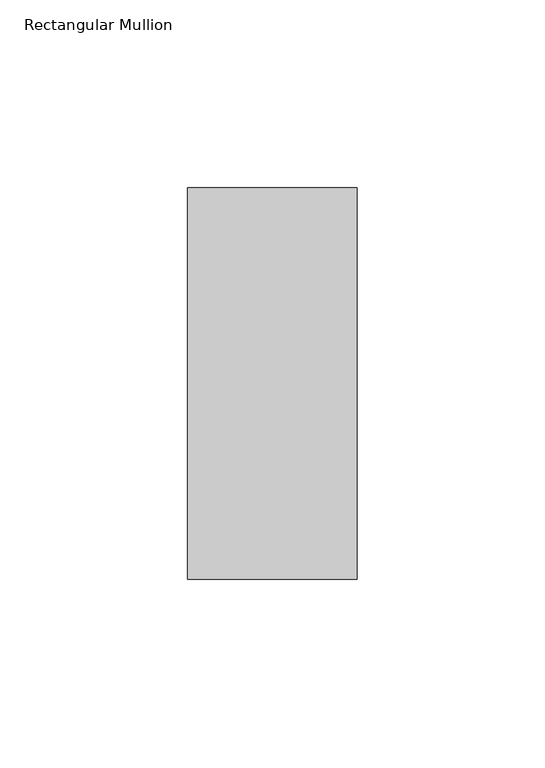
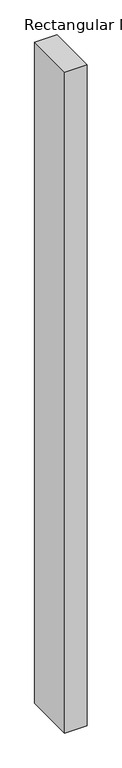
"""IFC4 building model written with IfcOpenShell, lengths in millimetres: member geometry, Rectangular Mullion."""

import ifcopenshell
import ifcopenshell.guid

model = None  # the IFC model being written
_history = None  # IfcOwnerHistory: only IFC2X3 demands one
_inside = {}  # id of a spatial element -> (the spatial element, [elements in it])
_under = {}  # id of a project, library or spatial element -> (it, [spatial elements below it])
_declared = {}  # id of a project -> (the project, [libraries it declares])
_typed = {}  # id of a type object -> (the type object, [elements of that type])
_made_of = {}  # id of a material, layer set ... -> (it, [elements and type objects made of it])


def new_model(schema):
    """Start an empty IFC model of exactly this schema.

    Asked for "IFC4X3", IfcOpenShell would pick the latest addendum, in which some entities
    have other attributes; the version numbers below select the first issue.
    IFC2X3 requires an IfcOwnerHistory on every rooted entity: one is made here for all.
    """
    global model, _history
    if schema == "IFC4X3":
        model = ifcopenshell.file(schema_version=(4, 3, 0, 0))
    else:
        model = ifcopenshell.file(schema=schema)
    _inside.clear()
    _under.clear()
    _declared.clear()
    _typed.clear()
    _made_of.clear()
    _history = None
    if model.schema == "IFC2X3":
        org = make("IfcOrganization", Name="unknown")
        user = make(
            "IfcPersonAndOrganization",
            ThePerson=make("IfcPerson", FamilyName="unknown"),
            TheOrganization=org,
        )
        app = make(
            "IfcApplication",
            ApplicationDeveloper=org,
            Version="unknown",
            ApplicationFullName="unknown",
            ApplicationIdentifier="unknown",
        )
        _history = make(
            "IfcOwnerHistory",
            OwningUser=user,
            OwningApplication=app,
            ChangeAction="ADDED",
            CreationDate=0,
        )
    return model


def make(cls, **values):
    """One entity of the class cls with the attributes given. An attribute that is None is left unset."""
    return model.create_entity(
        cls, **{name: value for name, value in values.items() if value is not None}
    )


def rooted(cls, **values):
    """An entity with a GlobalId (a new one), such as an element, a storey or a relation."""
    return make(cls, GlobalId=ifcopenshell.guid.new(), OwnerHistory=_history, **values)


def si_unit(unit_type, name, prefix=None):
    """IfcSIUnit, for example si_unit("LENGTHUNIT", "METRE", prefix="MILLI")."""
    return make("IfcSIUnit", UnitType=unit_type, Prefix=prefix, Name=name)


def assignment(units):
    """IfcUnitAssignment: the units of a project."""
    return None if units is None else make("IfcUnitAssignment", Units=units)


def point(xyz):
    """IfcCartesianPoint."""
    return None if xyz is None else make("IfcCartesianPoint", Coordinates=xyz)


def direction(xyz):
    """IfcDirection."""
    return None if xyz is None else make("IfcDirection", DirectionRatios=xyz)


def frame(location, z_axis=None, x_axis=None):
    """IfcAxis2Placement3D, a coordinate frame: its origin and axes. An axis left out is left unset."""
    return make(
        "IfcAxis2Placement3D",
        Location=point(location),
        Axis=direction(z_axis),
        RefDirection=direction(x_axis),
    )


def origin():
    """The frame at (0, 0, 0) with its axes left unset."""
    return frame((0.0, 0.0, 0.0))


def place(relative_to, where):
    """IfcLocalPlacement: puts the frame where relative to a parent placement (None: the world)."""
    return make(
        "IfcLocalPlacement", PlacementRelTo=relative_to, RelativePlacement=where
    )


def context(
    kind, dimensions, precision=None, world=None, true_north=None, identifier=None
):
    """IfcGeometricRepresentationContext, for example the 3D "Model" context."""
    return make(
        "IfcGeometricRepresentationContext",
        ContextIdentifier=identifier,
        ContextType=kind,
        CoordinateSpaceDimension=dimensions,
        Precision=precision,
        WorldCoordinateSystem=world,
        TrueNorth=true_north,
    )


def project(units=None, contexts=None):
    """IfcProject with its units and contexts."""
    return rooted(
        "IfcProject",
        Name="project",
        RepresentationContexts=contexts,
        UnitsInContext=assignment(units),
    )


def spatial(cls, under=None, at=None, **own):
    """A site, building, storey or space (cls), placed at a placement, below another one or the project."""
    s = rooted(cls, ObjectPlacement=at, **own)
    if under is not None:
        _under.setdefault(under.id(), (under, []))[1].append(s)
    return s


def polyline(points):
    """IfcPolyline through the points."""
    return make("IfcPolyline", Points=[point(p) for p in points])


def outline(outer, holes=None, kind="AREA"):
    """IfcArbitraryClosedProfileDef: a profile drawn as a closed curve; with holes, ...WithVoids."""
    if holes is None:
        return make("IfcArbitraryClosedProfileDef", ProfileType=kind, OuterCurve=outer)
    return make(
        "IfcArbitraryProfileDefWithVoids",
        ProfileType=kind,
        OuterCurve=outer,
        InnerCurves=holes,
    )


def extrude(swept, where, along, depth):
    """IfcExtrudedAreaSolid: the profile swept, set in the frame where, extruded along a direction by depth."""
    return make(
        "IfcExtrudedAreaSolid",
        SweptArea=swept,
        Position=where,
        ExtrudedDirection=direction(along),
        Depth=depth,
    )


def shape(context_of_items, identifier, shape_type, items):
    """IfcShapeRepresentation: the items that make up one representation, for example the "Body"."""
    return make(
        "IfcShapeRepresentation",
        ContextOfItems=context_of_items,
        RepresentationIdentifier=identifier,
        RepresentationType=shape_type,
        Items=items,
    )


def source(mapping_origin, context_of_items, identifier, shape_type, items):
    """IfcRepresentationMap: a shape defined once, which mapped items show again and again."""
    return make(
        "IfcRepresentationMap",
        MappingOrigin=mapping_origin,
        MappedRepresentation=shape(context_of_items, identifier, shape_type, items),
    )


def transform(
    local_origin,
    x_axis=None,
    y_axis=None,
    z_axis=None,
    scale=None,
    scale2=None,
    scale3=None,
    uniform=True,
):
    """IfcCartesianTransformationOperator3D, or its non-uniform kind. x_axis, y_axis, z_axis: its Axis1, 2, 3."""
    if uniform:
        return make(
            "IfcCartesianTransformationOperator3D",
            Axis1=direction(x_axis),
            Axis2=direction(y_axis),
            LocalOrigin=point(local_origin),
            Scale=scale,
            Axis3=direction(z_axis),
        )
    return make(
        "IfcCartesianTransformationOperator3DnonUniform",
        Axis1=direction(x_axis),
        Axis2=direction(y_axis),
        LocalOrigin=point(local_origin),
        Scale=scale,
        Axis3=direction(z_axis),
        Scale2=scale2,
        Scale3=scale3,
    )


def mapped(mapping_source, mapping_target):
    """IfcMappedItem: shows the shape of a source again, moved by a transform."""
    return make(
        "IfcMappedItem", MappingSource=mapping_source, MappingTarget=mapping_target
    )


def made_of(thing, what):
    """Note that an element or type object is made of a material, layer set ...; save() writes the relation."""
    if what is not None:
        _made_of.setdefault(what.id(), (what, []))[1].append(thing)
    return thing


def element(
    cls,
    number,
    at=None,
    inside=None,
    cuts=None,
    type_object=None,
    material=None,
    context=None,
    identifier="Body",
    shape_type=None,
    held_by="IfcProductDefinitionShape",
    body=None,
    shapes=None,
    **own,
):
    """One element of the class cls, such as IfcWall. Its Tag is "e" and its number.

    at: its placement. inside: the storey or other place that contains it. cuts: it is an
    opening in that element (IfcRelVoidsElement). A single representation is given by context,
    identifier, shape_type and body (its items); several are given by shapes. held_by: the class
    of the entity that holds the representations. save() writes the other relations.
    """
    e = rooted(cls, Tag="e%d" % number, ObjectPlacement=at, **own)
    if body is not None:
        shapes = [shape(context, identifier, shape_type, body)]
    if shapes is not None:
        e.Representation = make(held_by, Representations=shapes)
    if inside is not None:
        _inside.setdefault(inside.id(), (inside, []))[1].append(e)
    if cuts is not None:
        rooted(
            "IfcRelVoidsElement", RelatingBuildingElement=cuts, RelatedOpeningElement=e
        )
    if type_object is not None:
        _typed.setdefault(type_object.id(), (type_object, []))[1].append(e)
    return made_of(e, material)


def aggregate(whole, parts):
    """IfcRelAggregates: a whole, such as a stair, and the parts it consists of."""
    return rooted("IfcRelAggregates", RelatingObject=whole, RelatedObjects=parts)


def save(model, path):
    """Write the relations noted so far, then the file.

    IfcRelAggregates (storeys below a building ...), IfcRelContainedInSpatialStructure (elements
    in a storey), IfcRelDefinesByType, IfcRelAssociatesMaterial and IfcRelDeclares: one each for
    every whole, place, type object, material and project.
    """
    for whole, parts in _under.values():
        aggregate(whole, parts)
    for where, things in _inside.values():
        rooted(
            "IfcRelContainedInSpatialStructure",
            RelatedElements=things,
            RelatingStructure=where,
        )
    for kind, things in _typed.values():
        rooted("IfcRelDefinesByType", RelatedObjects=things, RelatingType=kind)
    for what, things in _made_of.values():
        rooted("IfcRelAssociatesMaterial", RelatedObjects=things, RelatingMaterial=what)
    for by, libraries in _declared.values():
        rooted("IfcRelDeclares", RelatingContext=by, RelatedDefinitions=libraries)
    model.write(path)


def rectangular_mullion_eb77e74a(model_context):
    return source(origin(), model_context, "Body", "SweptSolid", [
        extrude(outline(polyline([(-45.0, 67.525), (0.0, 67.525), (0.0, -36.525), (-45.0, -36.525), (-45.0, 67.525)])), frame((0.0, 0.0, -1397.4378906), z_axis=(0.0, 0.0, 1.0), x_axis=(1.0, 0.0, 0.0)), (0.0, 0.0, 1.0), 1397.4378906),
    ])


if __name__ == "__main__":
    model = new_model("IFC4")
    model_context = context("Model", 3, world=origin())
    ifc_project = project(units=[si_unit("LENGTHUNIT", "METRE", prefix="MILLI")], contexts=[model_context])
    site = spatial("IfcSite", under=ifc_project)
    building = spatial("IfcBuilding", under=site)
    placement = place(None, origin())
    rectangular_mullion_shape = rectangular_mullion_eb77e74a(model_context)
    element("IfcMember", 1, ObjectType="Rectangular Mullion", at=placement, inside=building, context=model_context, shape_type="MappedRepresentation", body=[
        mapped(rectangular_mullion_shape, transform((0.0, 0.0, 0.0), x_axis=(1.0, 0.0, 0.0), y_axis=(0.0, 1.0, 0.0), z_axis=(0.0, 0.0, 1.0))),
    ])
    save(model, "model.ifc")
